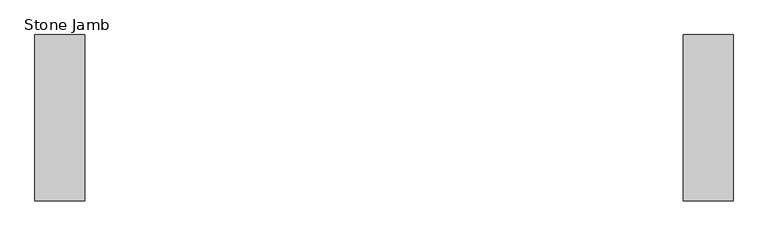
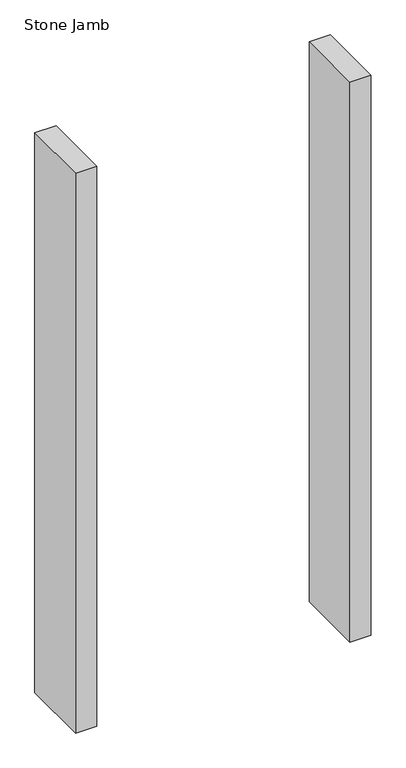
"""IFC4 building model written with IfcOpenShell, lengths in millimetres: proxy geometry, Stone Jamb."""

from ifc_helpers import new_model, si_unit, origin, origin_with_axes, place, context, project, spatial, polyline, outline, extrude, source, transform, mapped, element, save


def stone_jamb_f299bbcc(model_context):
    return source(origin(), model_context, "Body", "SweptSolid", [
        extrude(outline(polyline([(-533.4, 188.9125), (-457.2, 188.9125), (-457.2, -65.0875), (-533.4, -65.0875), (-533.4, 188.9125)])), origin_with_axes(), (0.0, 0.0, 1.0), 2133.6),
        extrude(outline(polyline([(457.2, 188.9125), (533.4, 188.9125), (533.4, -65.0875), (457.2, -65.0875), (457.2, 188.9125)])), origin_with_axes(), (0.0, 0.0, 1.0), 2133.6),
    ])


if __name__ == "__main__":
    model = new_model("IFC4")
    model_context = context("Model", 3, world=origin())
    ifc_project = project(units=[si_unit("LENGTHUNIT", "METRE", prefix="MILLI")], contexts=[model_context])
    site = spatial("IfcSite", under=ifc_project)
    building = spatial("IfcBuilding", under=site)
    placement = place(None, origin())
    stone_jamb_shape = stone_jamb_f299bbcc(model_context)
    element("IfcBuildingElementProxy", 1, Name="Stone Jamb", ObjectType="Stone Jamb", at=placement, inside=building, context=model_context, shape_type="MappedRepresentation", body=[
        mapped(stone_jamb_shape, transform((0.0, 0.0, 0.0), x_axis=(1.0, 0.0, 0.0), y_axis=(0.0, 1.0, 0.0), z_axis=(0.0, 0.0, 1.0))),
    ])
    save(model, "model.ifc")
